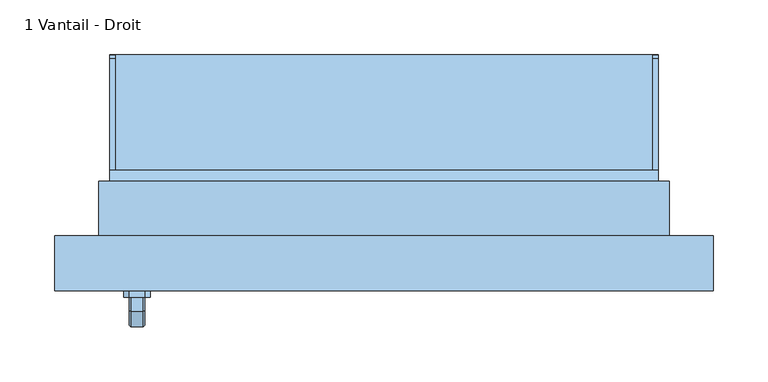
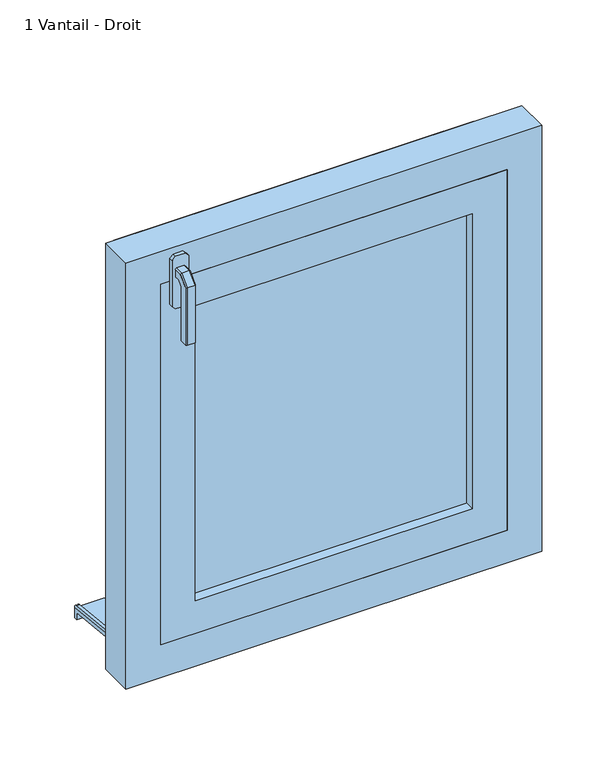
"""IFC4 building model written with IfcOpenShell, lengths in millimetres: window geometry, 1 Vantail - Droit."""

from ifc_helpers import new_model, si_unit, point, frame, frame_2d, origin, place, context, project, spatial, polyline, circle_curve, trimmed, segment, composite_curve, outline, extrude, faceted_brep, source, transform, mapped, element, save


def window_1_vantail_droit_dec55bd6(model_context):
    return source(origin(), model_context, "Body", "SolidModel", [
        faceted_brep([(-219.3539903, -106.0, 1422.0339292), (-217.9660708, -106.0, 1420.6460097), (-217.9660708, -106.0, 1409.3323012), (-219.3323012, -106.0, 1407.9660708), (-230.6676988, -106.0, 1407.9660708), (-232.0339292, -106.0, 1409.3323012), (-232.0339292, -106.0, 1420.6460097), (-230.6460097, -106.0, 1422.0339292), (-219.3539903, -118.9135489, 1422.0339292), (-217.9660708, -118.3386538, 1420.6460097), (-217.9660708, -131.6460097, 1407.3386538), (-217.9660708, -131.6460097, 1320.0), (-217.9660708, -120.3323012, 1320.0), (-217.9660708, -120.3323012, 1402.6523623), (-217.9660708, -113.6523623, 1409.3323012), (-219.3323012, -113.0864511, 1407.9660708), (-230.6676988, -113.0864511, 1407.9660708), (-232.0339292, -113.6523623, 1409.3323012), (-232.0339292, -120.3323012, 1402.6523623), (-232.0339292, -120.3323012, 1320.0), (-232.0339292, -131.6460097, 1320.0), (-232.0339292, -131.6460097, 1407.3386538), (-232.0339292, -118.3386538, 1420.6460097), (-230.6460097, -118.9135489, 1422.0339292), (-219.3539903, -133.0339292, 1407.9135489), (-219.3323012, -118.9660708, 1402.0864511), (-230.6676988, -118.9660708, 1402.0864511), (-230.6460097, -133.0339292, 1407.9135489), (-219.3539903, -133.0339292, 1320.0), (-230.6460097, -133.0339292, 1320.0), (-230.6676988, -118.9660708, 1320.0), (-219.3323012, -118.9660708, 1320.0)], [[[0, 1, 2, 3, 4, 5, 6, 7]], [[1, 0, 8, 9]], [[2, 1, 9, 10, 11, 12, 13, 14]], [[3, 2, 14, 15]], [[4, 3, 15, 16]], [[5, 4, 16, 17]], [[6, 5, 17, 18, 19, 20, 21, 22]], [[7, 6, 22, 23]], [[0, 7, 23, 8]], [[9, 8, 24, 10]], [[15, 14, 13, 25]], [[16, 15, 25, 26]], [[17, 16, 26, 18]], [[23, 22, 21, 27]], [[8, 23, 27, 24]], [[28, 29, 20, 19, 30, 31, 12, 11]], [[10, 24, 28, 11]], [[25, 13, 12, 31]], [[26, 25, 31, 30]], [[18, 26, 30, 19]], [[27, 21, 20, 29]], [[24, 27, 29, 28]]]),
        extrude(outline(polyline([(1440.0, -218.0), (1440.0, -232.0), (1435.0, -237.0), (1365.0, -237.0), (1360.0, -232.0), (1360.0, -218.0), (1365.0, -213.0), (1435.0, -213.0), (1440.0, -218.0)])), frame((0.0, -106.0, 0.0), z_axis=(0.0, 1.0, 0.0), x_axis=(0.0, 0.0, 1.0)), (0.0, 0.0, 1.0), 6.0),
        extrude(outline(polyline([(115.0, 776.06614), (115.0, 760.5104235), (110.0, 761.0359447), (110.0, 771.3364494), (-20.0, 785.0), (-20.0, 800.0), (-15.0, 800.0), (-15.0, 789.7296906), (115.0, 776.06614)])), frame((-250.0, 0.0, 0.0), z_axis=(1.0, 0.0, 0.0), x_axis=(0.0, 1.0, 0.0)), (0.0, 0.0, 1.0), 500.0),
        extrude(outline(composite_curve([segment(polyline([(115.0, 776.06614), (-15.0, 789.7296906), (-15.0, 794.757232), (111.4181139, 781.4701528)]), True, "CONTINUOUS"), segment(trimmed(circle_curve(frame_2d((111.0, 777.4920652)), 4.0), [point((111.4181139, 781.4701528))], [point((115.0, 777.4920652))], False, "CARTESIAN"), True, "CONTINUOUS"), segment(polyline([(115.0, 777.4920652), (115.0, 776.06614)]), True, "CONTINUOUS")], self_intersect=False)), frame((-250.0, 0.0, 0.0), z_axis=(1.0, 0.0, 0.0), x_axis=(0.0, 1.0, 0.0)), (0.0, 0.0, 1.0), 5.0),
        extrude(outline(composite_curve([segment(polyline([(115.0, 776.06614), (-15.0, 789.7296906), (-15.0, 794.757232), (111.4181139, 781.4701528)]), True, "CONTINUOUS"), segment(trimmed(circle_curve(frame_2d((111.0, 777.4920652)), 4.0), [point((111.4181139, 781.4701528))], [point((115.0, 777.4920652))], False, "CARTESIAN"), True, "CONTINUOUS"), segment(polyline([(115.0, 777.4920652), (115.0, 776.06614)]), True, "CONTINUOUS")], self_intersect=False)), frame((245.0, 0.0, 0.0), z_axis=(1.0, 0.0, 0.0), x_axis=(0.0, 1.0, 0.0)), (0.0, 0.0, 1.0), 5.0),
        extrude(outline(polyline([(850.0, 250.0), (1400.0, 250.0), (1400.0, -250.0), (850.0, -250.0), (850.0, 250.0)]), holes=[polyline([(900.0, -200.0), (1350.0, -200.0), (1350.0, 200.0), (900.0, 200.0), (900.0, -200.0)])]), frame((0.0, -100.0, 0.0), z_axis=(0.0, 1.0, 0.0), x_axis=(0.0, 0.0, 1.0)), (0.0, 0.0, 1.0), 40.0),
        faceted_brep([(-300.0, -100.0, 800.0), (-300.0, -50.0, 800.0), (-250.0, -50.0, 800.0), (-250.0, 0.0, 800.0), (250.0, 0.0, 800.0), (250.0, -50.0, 800.0), (300.0, -50.0, 800.0), (300.0, -100.0, 800.0), (-300.0, -100.0, 1450.0), (-300.0, -50.0, 1450.0), (300.0, -50.0, 1450.0), (250.0, -50.0, 839.3761425), (-250.0, -50.0, 839.3761425), (-235.0, -50.0, 1385.0), (-235.0, -50.0, 865.0), (235.0, -50.0, 865.0), (235.0, -50.0, 1385.0), (-250.0, 10.0, 823.2991909), (-250.0, 10.0, 795.0), (-250.0, 0.0, 795.0), (250.0, 0.0, 795.0), (250.0, 10.0, 795.0), (250.0, 10.0, 823.2991909), (300.0, -100.0, 1450.0), (250.0, -100.0, 1400.0), (250.0, -100.0, 850.0), (-250.0, -100.0, 850.0), (-250.0, -100.0, 1400.0), (-235.0, -60.0, 1385.0), (-235.0, -60.0, 865.0), (235.0, -60.0, 865.0), (235.0, -60.0, 1385.0), (250.0, -60.0, 1400.0), (-250.0, -60.0, 1400.0), (-250.0, -60.0, 850.0), (250.0, -60.0, 850.0)], [[[0, 1, 2, 3, 4, 5, 6, 7]], [[1, 0, 8, 9]], [[1, 9, 10, 6, 5, 11, 12, 2], [13, 14, 15, 16]], [[12, 17, 18, 19, 3, 2]], [[3, 19, 20, 4]], [[4, 20, 21, 22, 11, 5]], [[6, 10, 23, 7]], [[0, 7, 23, 8], [24, 25, 26, 27]], [[13, 28, 29, 14]], [[29, 30, 15, 14]], [[31, 16, 15, 30]], [[17, 12, 11, 22]], [[32, 33, 34, 35], [28, 31, 30, 29]], [[34, 33, 27, 26]], [[26, 25, 35, 34]], [[24, 32, 35, 25]], [[18, 17, 22, 21]], [[19, 18, 21, 20]], [[13, 16, 31, 28]], [[33, 32, 24, 27]], [[10, 9, 8, 23]]]),
        extrude(outline(polyline([(800.0, -260.0), (800.0, -250.0), (1400.0, -250.0), (1400.0, 250.0), (800.0, 250.0), (800.0, 260.0), (1410.0, 260.0), (1410.0, -260.0), (800.0, -260.0)])), frame((0.0, -50.0, 0.0), z_axis=(0.0, 1.0, 0.0), x_axis=(0.0, 0.0, 1.0)), (0.0, 0.0, 1.0), 50.0),
        extrude(outline(polyline([(-200.0, -74.0), (200.0, -74.0), (200.0, -86.0), (-200.0, -86.0), (-200.0, -74.0)])), frame((0.0, 0.0, 900.0), z_axis=(0.0, 0.0, 1.0), x_axis=(1.0, 0.0, 0.0)), (0.0, 0.0, 1.0), 450.0),
    ])


if __name__ == "__main__":
    model = new_model("IFC4")
    model_context = context("Model", 3, world=origin())
    ifc_project = project(units=[si_unit("LENGTHUNIT", "METRE", prefix="MILLI")], contexts=[model_context])
    site = spatial("IfcSite", under=ifc_project)
    building = spatial("IfcBuilding", under=site)
    placement = place(None, origin())
    window_1_vantail_droit_shape = window_1_vantail_droit_dec55bd6(model_context)
    element("IfcWindow", 1, ObjectType="1 Vantail - Droit", at=placement, inside=building, context=model_context, shape_type="MappedRepresentation", body=[
        mapped(window_1_vantail_droit_shape, transform((0.0, 0.0, 0.0), x_axis=(1.0, 0.0, 0.0), y_axis=(0.0, 1.0, 0.0), z_axis=(0.0, 0.0, 1.0))),
    ])
    save(model, "model.ifc")
